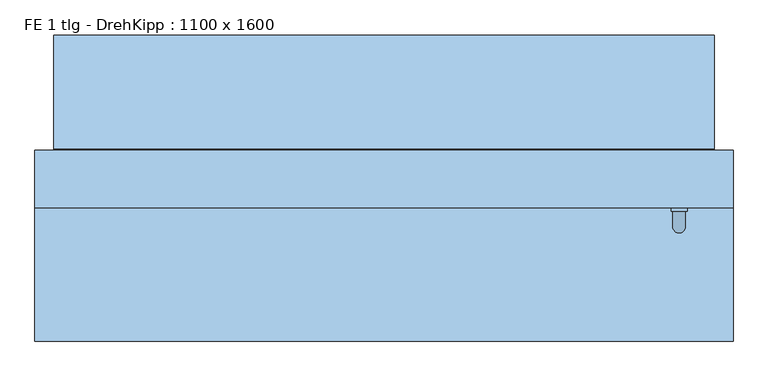
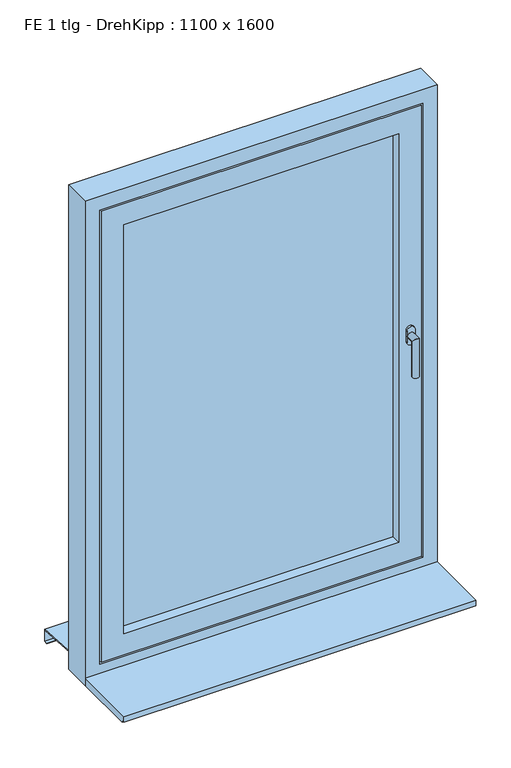
"""IFC4 building model written with IfcOpenShell, lengths in millimetres: window geometry, FE 1 tlg - DrehKipp : 1100 x 1600."""

from ifc_helpers import new_model, si_unit, frame, origin, place, context, project, spatial, polyline, circle_curve, ellipse_curve, outline, extrude, faceted_brep, source, transform, mapped, element, save
from ifc_brep_helpers import plane_surface, cylinder_surface, advanced_brep


def fe_1_tlg_drehkipp_1100_x_1600_f3ea55ad(model_context):
    return source(origin(), model_context, "Body", "SolidModel", [
        advanced_brep(
        [(452.5, -20.0, 1672.5), (477.5, -20.0, 1672.5), (477.5, -20.0, 1655.0), (477.5, -20.0, 1637.5), (452.5, -20.0, 1637.5), (452.5, -20.0, 1655.0), (475.0, -50.0, 1655.0), (475.0, -26.0, 1655.0), (455.0, -26.0, 1655.0), (455.0, -50.0, 1655.0), (475.0, -50.0, 1535.0), (455.0, -50.0, 1535.0), (452.5, -26.0, 1672.5), (452.5, -26.0, 1655.0), (452.5, -26.0, 1637.5), (477.5, -26.0, 1637.5), (477.5, -26.0, 1655.0), (477.5, -26.0, 1672.5)],
        [
            (0, 1, circle_curve(frame((465.0, -20.0, 1672.5), z_axis=(0.0, 1.0, 0.0), x_axis=(-1.0, 0.0, 0.0)), 12.5)),
            (1, 2),
            (2, 3),
            (3, 4, circle_curve(frame((465.0, -20.0, 1637.5), z_axis=(0.0, 1.0, 0.0), x_axis=(-1.0, 0.0, 0.0)), 12.5)),
            (4, 5),
            (5, 0),
            (6, 7),
            (7, 8, circle_curve(frame((465.0, -26.0, 1655.0), z_axis=(0.0, -1.0, 0.0), x_axis=(-1.0, 0.0, 0.0)), 10.0)),
            (8, 9),
            (9, 6, ellipse_curve(frame((465.0, -50.0, 1655.0), z_axis=(0.0, 0.7071067811865498, 0.7071067811865451), x_axis=(0.0, 0.7071067811865452, -0.7071067811865497)), 14.1421356, 10.0)),
            (8, 7, circle_curve(frame((465.0, -26.0, 1655.0), z_axis=(0.0, -1.0, 0.0), x_axis=(-1.0, 0.0, 0.0)), 10.0)),
            (6, 9, ellipse_curve(frame((465.0, -50.0, 1655.0), z_axis=(0.0, 0.7071067811865498, 0.7071067811865451), x_axis=(0.0, 0.7071067811865452, -0.7071067811865497)), 14.1421356, 10.0)),
            (10, 11, circle_curve(frame((465.0, -50.0, 1535.0), z_axis=(0.0, 0.0, -1.0), x_axis=(-1.0, 0.0, 0.0)), 10.0)),
            (11, 10, circle_curve(frame((465.0, -50.0, 1535.0), z_axis=(0.0, 0.0, -1.0), x_axis=(-1.0, 0.0, 0.0)), 10.0)),
            (9, 11),
            (10, 6),
            (12, 13),
            (13, 14),
            (14, 15, circle_curve(frame((465.0, -26.0, 1637.5), z_axis=(0.0, -1.0, 0.0), x_axis=(-1.0, 0.0, 0.0)), 12.5)),
            (15, 16),
            (16, 17),
            (17, 12, circle_curve(frame((465.0, -26.0, 1672.5), z_axis=(0.0, -1.0, 0.0), x_axis=(-1.0, 0.0, 0.0)), 12.5)),
            (17, 1),
            (0, 12),
            (16, 2),
            (15, 3),
            (14, 4),
            (13, 5),
        ],
        [
            plane_surface(frame((465.0, -20.0, 1655.0), z_axis=(0.0, 1.0, 0.0), x_axis=(-1.0, 0.0, 0.0))),
            cylinder_surface(frame((465.0, -20.0, 1655.0), z_axis=(0.0, 1.0, 0.0), x_axis=(-1.0, 0.0, 0.0)), 10.0),
            plane_surface(frame((465.0, -50.0, 1535.0), z_axis=(0.0, 0.0, -1.0), x_axis=(-1.0, 0.0, 0.0))),
            cylinder_surface(frame((465.0, -50.0, 1655.0), z_axis=(0.0, 0.0, 1.0), x_axis=(-1.0, 0.0, 0.0)), 10.0),
            plane_surface(frame((452.5, -26.0, 1672.5), z_axis=(0.0, -1.0, 0.0), x_axis=(0.0, 0.0, 1.0))),
            cylinder_surface(frame((465.0, -20.0, 1672.5), z_axis=(0.0, -1.0, 0.0), x_axis=(-1.0, 0.0, 0.0)), 12.5),
            plane_surface(frame((477.5, -26.0, 1672.5), z_axis=(1.0, 0.0, 0.0), x_axis=(0.0, 1.0, 0.0))),
            plane_surface(frame((477.5, -26.0, 1655.0), z_axis=(1.0, 0.0, 0.0), x_axis=(0.0, 1.0, 0.0))),
            cylinder_surface(frame((465.0, -20.0, 1637.5), z_axis=(0.0, -1.0, 0.0), x_axis=(-1.0, 0.0, 0.0)), 12.5),
            plane_surface(frame((452.5, -26.0, 1637.5), z_axis=(-1.0, 0.0, 0.0), x_axis=(0.0, 1.0, 0.0))),
            plane_surface(frame((452.5, -26.0, 1655.0), z_axis=(-1.0, 0.0, 0.0), x_axis=(0.0, 1.0, 0.0))),
        ],
        [
            (0, [[1, 2, 3, 4, 5, 6]]),
            (1, [[7, 8, 9, 10]]),
            (1, [[-9, 11, -7, 12]]),
            (2, [[13, 14]]),
            (3, [[15, -13, 16, -10]]),
            (3, [[-16, -14, -15, -12]]),
            (4, [[17, 18, 19, 20, 21, 22], [-11, -8]]),
            (5, [[23, -1, 24, -22]]),
            (6, [[25, -2, -23, -21]]),
            (7, [[26, -3, -25, -20]]),
            (8, [[27, -4, -26, -19]]),
            (9, [[28, -5, -27, -18]]),
            (10, [[-24, -6, -28, -17]]),
        ],
    ),
        faceted_brep([(-430.0, -20.0, 2330.0), (-430.0, -20.0, 980.0), (-430.0, 70.0, 980.0), (-430.0, 70.0, 2330.0), (-460.0, 70.0, 950.0), (-460.0, 70.0, 2360.0), (460.0, 70.0, 2360.0), (460.0, 70.0, 950.0), (430.0, 70.0, 980.0), (430.0, 70.0, 2330.0), (430.0, -20.0, 980.0), (-500.0, -20.0, 2400.0), (-500.0, -20.0, 910.0), (500.0, -20.0, 910.0), (500.0, -20.0, 2400.0), (430.0, -20.0, 2330.0), (-500.0, -5.0, 2400.0), (-500.0, -5.0, 910.0), (500.0, -5.0, 910.0), (500.0, -5.0, 2400.0), (-485.0, -5.0, 2385.0), (-485.0, -5.0, 925.0), (485.0, -5.0, 925.0), (485.0, -5.0, 2385.0), (-485.0, 25.0, 2385.0), (-485.0, 25.0, 925.0), (485.0, 25.0, 925.0), (485.0, 25.0, 2385.0), (-475.0, 25.0, 2375.0), (-475.0, 25.0, 935.0), (475.0, 25.0, 935.0), (475.0, 25.0, 2375.0), (-475.0, 55.0, 2375.0), (-475.0, 55.0, 935.0), (475.0, 55.0, 935.0), (475.0, 55.0, 2375.0), (-460.0, 55.0, 2360.0), (-460.0, 55.0, 950.0), (460.0, 55.0, 950.0), (460.0, 55.0, 2360.0)], [[[0, 1, 2, 3]], [[4, 5, 6, 7], [3, 2, 8, 9]], [[1, 10, 8, 2]], [[11, 12, 13, 14], [1, 0, 15, 10]], [[16, 17, 12, 11]], [[17, 18, 13, 12]], [[17, 16, 19, 18], [20, 21, 22, 23]], [[24, 25, 21, 20]], [[25, 26, 22, 21]], [[25, 24, 27, 26], [28, 29, 30, 31]], [[32, 33, 29, 28]], [[33, 34, 30, 29]], [[33, 32, 35, 34], [36, 37, 38, 39]], [[5, 4, 37, 36]], [[4, 7, 38, 37]], [[10, 15, 9, 8]], [[18, 19, 14, 13]], [[26, 27, 23, 22]], [[34, 35, 31, 30]], [[7, 6, 39, 38]], [[15, 0, 3, 9]], [[19, 16, 11, 14]], [[27, 24, 20, 23]], [[35, 32, 28, 31]], [[6, 5, 36, 39]]]),
        extrude(outline(polyline([(-430.0, 55.0), (430.0, 55.0), (430.0, 11.0), (-430.0, 11.0), (-430.0, 55.0)])), frame((0.0, 0.0, 980.0), z_axis=(0.0, 0.0, 1.0), x_axis=(1.0, 0.0, 0.0)), (0.0, 0.0, 1.0), 1350.0),
        faceted_brep([(-520.0, 252.0, 860.6252434), (-520.0, 230.0, 862.0002434), (-520.0, 72.0, 871.8752434), (520.0, 72.0, 871.8752434), (520.0, 230.0, 862.0002434), (520.0, 252.0, 860.6252434), (-520.0, 252.0, 820.6252434), (520.0, 252.0, 820.6252434), (-520.0, 240.0, 820.6252434), (520.0, 240.0, 820.6252434), (-520.0, 240.0, 822.6252434), (520.0, 240.0, 822.6252434), (-520.0, 250.0, 822.6252434), (520.0, 250.0, 822.6252434), (-520.0, 250.0, 858.75), (520.0, 250.0, 858.75), (-520.0, 230.0, 860.0), (520.0, 230.0, 860.0), (520.0, 70.0, 870.0), (-520.0, 70.0, 870.0), (-520.0, 70.0, 890.0), (520.0, 70.0, 890.0), (-520.0, 72.0, 890.0), (520.0, 72.0, 890.0)], [[[0, 1, 2, 3, 4, 5]], [[6, 0, 5, 7]], [[8, 6, 7, 9]], [[10, 8, 9, 11]], [[12, 10, 11, 13]], [[14, 12, 13, 15]], [[16, 14, 15, 17, 18, 19]], [[20, 19, 18, 21]], [[22, 20, 21, 23]], [[2, 22, 23, 3]], [[16, 1, 0, 6, 8, 10, 12, 14]], [[17, 4, 3, 23, 21, 18]], [[1, 16, 19, 20, 22, 2]], [[4, 17, 15, 13, 11, 9, 7, 5]]]),
        faceted_brep([(550.0, 70.0, 850.0), (550.0, -20.0, 850.0), (-550.0, -20.0, 850.0), (-550.0, 70.0, 850.0), (550.0, 70.0, 2450.0), (550.0, -20.0, 2450.0), (-550.0, -20.0, 2450.0), (505.0, -20.0, 2405.0), (505.0, -20.0, 905.0), (-505.0, -20.0, 905.0), (-505.0, -20.0, 2405.0), (-550.0, 70.0, 2450.0), (465.0, 70.0, 945.0), (465.0, 70.0, 2365.0), (-465.0, 70.0, 2365.0), (-465.0, 70.0, 945.0), (465.0, 55.0, 945.0), (465.0, 55.0, 2365.0), (-465.0, 55.0, 945.0), (-465.0, 55.0, 2365.0), (505.0, -5.0, 2405.0), (505.0, -5.0, 905.0), (-505.0, -5.0, 905.0), (-505.0, -5.0, 2405.0), (490.0, -5.0, 2390.0), (490.0, -5.0, 920.0), (-490.0, -5.0, 920.0), (-490.0, -5.0, 2390.0), (490.0, 25.0, 920.0), (490.0, 25.0, 2390.0), (-490.0, 25.0, 2390.0), (-490.0, 25.0, 920.0), (480.0, 25.0, 2380.0), (480.0, 25.0, 930.0), (-480.0, 25.0, 930.0), (-480.0, 25.0, 2380.0), (480.0, 55.0, 930.0), (480.0, 55.0, 2380.0), (-480.0, 55.0, 2380.0), (-480.0, 55.0, 930.0)], [[[0, 1, 2, 3]], [[4, 5, 1, 0]], [[5, 6, 2, 1], [7, 8, 9, 10]], [[6, 11, 3, 2]], [[11, 4, 0, 3], [12, 13, 14, 15]], [[12, 16, 17, 13]], [[18, 15, 14, 19]], [[16, 12, 15, 18]], [[20, 21, 8, 7]], [[8, 21, 22, 9]], [[9, 22, 23, 10]], [[21, 20, 23, 22], [24, 25, 26, 27]], [[28, 29, 30, 31], [32, 33, 34, 35]], [[29, 28, 25, 24]], [[25, 28, 31, 26]], [[36, 37, 38, 39], [17, 16, 18, 19]], [[37, 36, 33, 32]], [[33, 36, 39, 34]], [[26, 31, 30, 27]], [[34, 39, 38, 35]], [[4, 11, 6, 5]], [[20, 7, 10, 23]], [[29, 24, 27, 30]], [[37, 32, 35, 38]], [[13, 17, 19, 14]]]),
        extrude(outline(polyline([(-230.0, 875.0), (-20.0, 875.0), (-20.0, 850.0), (-220.0, 850.0), (-220.0, 857.0), (-230.0, 857.0), (-230.0, 875.0)])), frame((-550.0, 0.0, 0.0), z_axis=(1.0, 0.0, 0.0), x_axis=(0.0, 1.0, 0.0)), (0.0, 0.0, 1.0), 1100.0),
    ])


if __name__ == "__main__":
    model = new_model("IFC4")
    model_context = context("Model", 3, world=origin())
    ifc_project = project(units=[si_unit("LENGTHUNIT", "METRE", prefix="MILLI")], contexts=[model_context])
    site = spatial("IfcSite", under=ifc_project)
    building = spatial("IfcBuilding", under=site)
    placement = place(None, origin())
    fe_1_tlg_drehkipp_1100_x_1600_shape = fe_1_tlg_drehkipp_1100_x_1600_f3ea55ad(model_context)
    element("IfcWindow", 1, ObjectType="FE 1 tlg - DrehKipp : 1100 x 1600", at=placement, inside=building, context=model_context, shape_type="MappedRepresentation", body=[
        mapped(fe_1_tlg_drehkipp_1100_x_1600_shape, transform((0.0, 0.0, 0.0), x_axis=(1.0, 0.0, 0.0), y_axis=(0.0, 1.0, 0.0), z_axis=(0.0, 0.0, 1.0))),
    ])
    save(model, "model.ifc")
